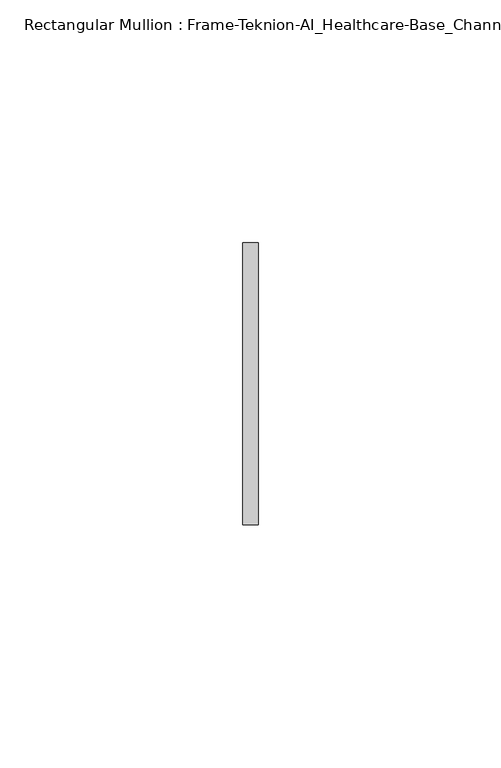
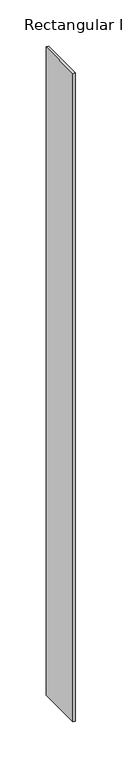
"""IFC4 building model written with IfcOpenShell, lengths in millimetres: member geometry, Rectangular Mullion : Frame-Teknion-AI_Healthcare-Base_Channel."""

from ifc_helpers import new_model, si_unit, frame, origin, place, context, project, spatial, polyline, outline, extrude, source, transform, mapped, element, save


def rectangular_mullion_frame_teknion_ai_healthcare_base_channel_6b5f5e13(model_context):
    return source(origin(), model_context, "Body", "SweptSolid", [
        extrude(outline(polyline([(0.0, 29.0214844), (0.0, -29.0214844), (-3.175, -29.0214844), (-3.175, 29.0214844), (0.0, 29.0214844)])), frame((0.0, 0.0, -857.3691795), z_axis=(0.0, 0.0, 1.0), x_axis=(1.0, 0.0, 0.0)), (0.0, 0.0, 1.0), 857.3691795),
    ])


if __name__ == "__main__":
    model = new_model("IFC4")
    model_context = context("Model", 3, world=origin())
    ifc_project = project(units=[si_unit("LENGTHUNIT", "METRE", prefix="MILLI")], contexts=[model_context])
    site = spatial("IfcSite", under=ifc_project)
    building = spatial("IfcBuilding", under=site)
    placement = place(None, origin())
    rectangular_mullion_frame_teknion_ai_healthcare_base_channel_shape = rectangular_mullion_frame_teknion_ai_healthcare_base_channel_6b5f5e13(model_context)
    element("IfcMember", 1, ObjectType="Rectangular Mullion : Frame-Teknion-AI_Healthcare-Base_Channel", at=placement, inside=building, context=model_context, shape_type="MappedRepresentation", body=[
        mapped(rectangular_mullion_frame_teknion_ai_healthcare_base_channel_shape, transform((0.0, 0.0, 0.0), x_axis=(1.0, 0.0, 0.0), y_axis=(0.0, 1.0, 0.0), z_axis=(0.0, 0.0, 1.0))),
    ])
    save(model, "model.ifc")
